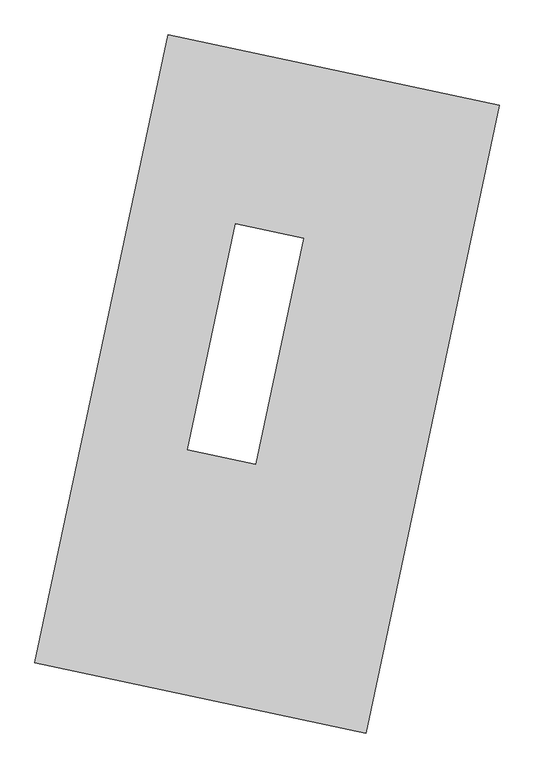
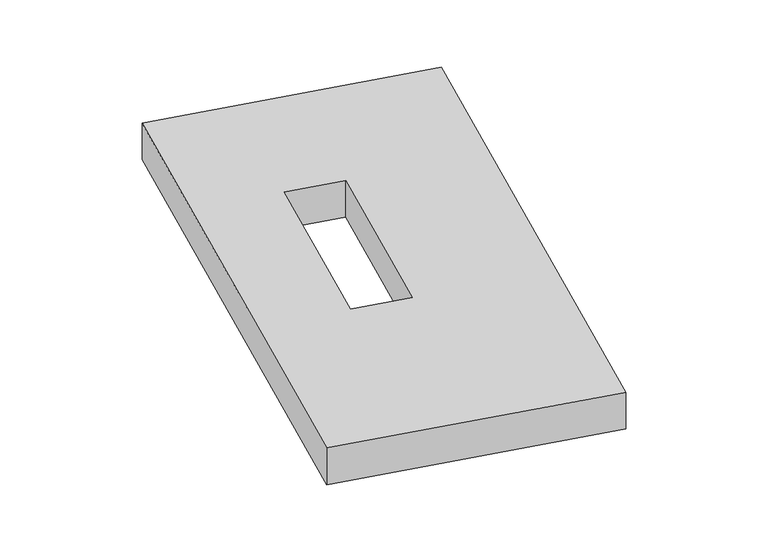
"""IFC4 building model written with IfcOpenShell, lengths in millimetres: proxy geometry."""

from ifc_helpers import new_model, si_unit, origin, origin_with_axes, place, context, project, spatial, polyline, outline, extrude, source, transform, mapped, element, save


def generic_models_fefec578(model_context):
    return source(origin(), model_context, "Body", "SweptSolid", [
        extrude(outline(polyline([(-617.3692021, 2175.5580432), (1447.7508745, 1737.3010494), (617.3692021, -2175.5580432), (-1447.7508745, -1737.3010494), (-617.3692021, 2175.5580432)]), holes=[polyline([(228.1598553, 908.9398201), (-195.5829348, 998.8659428), (-494.345146, -408.93781), (-70.6023559, -498.8639326), (228.1598553, 908.9398201)])]), origin_with_axes(), (0.0, 0.0, 1.0), 300.0),
    ])


if __name__ == "__main__":
    model = new_model("IFC4")
    model_context = context("Model", 3, world=origin())
    ifc_project = project(units=[si_unit("LENGTHUNIT", "METRE", prefix="MILLI")], contexts=[model_context])
    site = spatial("IfcSite", under=ifc_project)
    building = spatial("IfcBuilding", under=site)
    placement = place(None, origin())
    generic_models_shape = generic_models_fefec578(model_context)
    element("IfcBuildingElementProxy", 1, Name="Generic Models", at=placement, inside=building, context=model_context, shape_type="MappedRepresentation", body=[
        mapped(generic_models_shape, transform((0.0, 0.0, 0.0), x_axis=(1.0, 0.0, 0.0), y_axis=(0.0, 1.0, 0.0), z_axis=(0.0, 0.0, 1.0))),
    ])
    save(model, "model.ifc")
